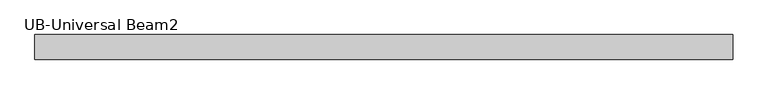
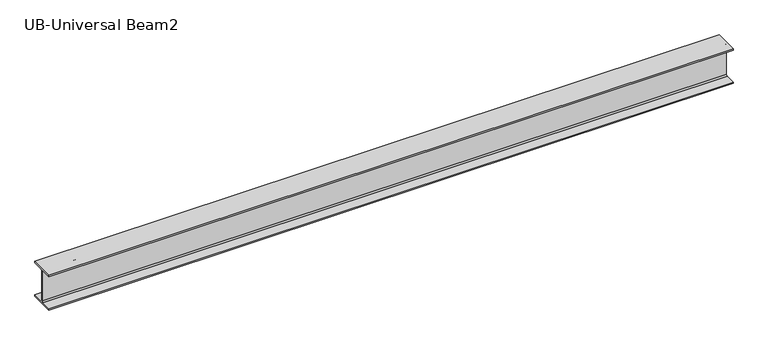
"""IFC4 building model written with IfcOpenShell, lengths in millimetres: beam geometry, UB-Universal Beam2."""

from ifc_helpers import new_model, si_unit, point, frame, frame_2d, origin, place, context, project, spatial, polyline, circle_curve, trimmed, segment, composite_curve, outline, extrude, source, transform, mapped, element, save


def ub_universal_beam2_d287df18(model_context):
    return source(origin(), model_context, "Body", "SweptSolid", [
        extrude(outline(composite_curve([segment(polyline([(82.5, -114.8), (82.5, -125.0), (-82.5, -125.0), (-82.5, -114.8), (-11.9, -114.8)]), True, "CONTINUOUS"), segment(trimmed(circle_curve(frame_2d((-11.9, -105.9)), 8.9), [point((-11.9, -114.8))], [point((-3.0, -105.9))], True, "CARTESIAN"), True, "CONTINUOUS"), segment(polyline([(-3.0, -105.9), (-3.0, 105.9)]), True, "CONTINUOUS"), segment(trimmed(circle_curve(frame_2d((-11.9, 105.9)), 8.9), [point((-3.0, 105.9))], [point((-11.9, 114.8))], True, "CARTESIAN"), True, "CONTINUOUS"), segment(polyline([(-11.9, 114.8), (-82.5, 114.8), (-82.5, 125.0), (82.5, 125.0), (82.5, 114.8), (11.9, 114.8)]), True, "CONTINUOUS"), segment(trimmed(circle_curve(frame_2d((11.9, 105.9)), 8.9), [point((11.9, 114.8))], [point((3.0, 105.9))], True, "CARTESIAN"), True, "CONTINUOUS"), segment(polyline([(3.0, 105.9), (3.0, -105.9)]), True, "CONTINUOUS"), segment(trimmed(circle_curve(frame_2d((11.9, -105.9)), 8.9), [point((3.0, -105.9))], [point((11.9, -114.8))], True, "CARTESIAN"), True, "CONTINUOUS"), segment(polyline([(11.9, -114.8), (82.5, -114.8)]), True, "CONTINUOUS")], self_intersect=False)), frame((-2334.65, 0.0, 0.0), z_axis=(1.0, 0.0, 0.0), x_axis=(0.0, 1.0, 0.0)), (0.0, 0.0, 1.0), 4669.3),
    ])


if __name__ == "__main__":
    model = new_model("IFC4")
    model_context = context("Model", 3, world=origin())
    ifc_project = project(units=[si_unit("LENGTHUNIT", "METRE", prefix="MILLI")], contexts=[model_context])
    site = spatial("IfcSite", under=ifc_project)
    building = spatial("IfcBuilding", under=site)
    placement = place(None, origin())
    ub_universal_beam2_shape = ub_universal_beam2_d287df18(model_context)
    element("IfcBeam", 1, ObjectType="UB-Universal Beam2", at=placement, inside=building, context=model_context, shape_type="MappedRepresentation", body=[
        mapped(ub_universal_beam2_shape, transform((0.0, 0.0, 0.0), x_axis=(1.0, 0.0, 0.0), y_axis=(0.0, 1.0, 0.0), z_axis=(0.0, 0.0, 1.0))),
    ])
    save(model, "model.ifc")
